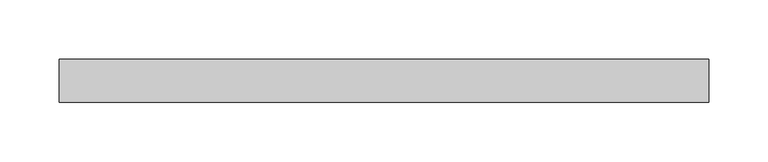
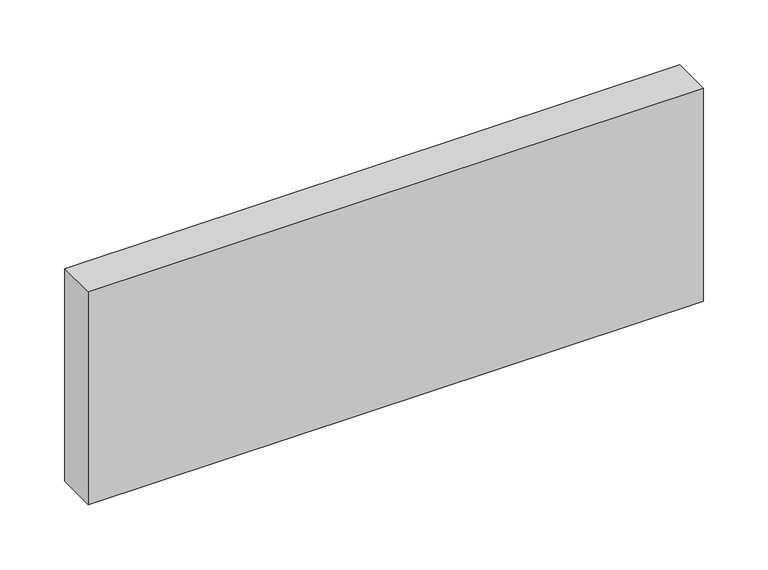
"""IFC4 building model written with IfcOpenShell, lengths in millimetres: beam geometry."""

from ifc_helpers import new_model, si_unit, frame, origin, place, context, project, spatial, polyline, outline, extrude, source, transform, mapped, element, save


def beam_da5a735c(model_context):
    return source(origin(), model_context, "Body", "SweptSolid", [
        extrude(outline(polyline([(273.0, -18.0), (-273.0, -18.0), (-273.0, 18.0), (273.0, 18.0), (273.0, -18.0)])), frame((0.0, 0.0, -100.0), z_axis=(0.0, 0.0, 1.0), x_axis=(1.0, 0.0, 0.0)), (0.0, 0.0, 1.0), 200.0),
    ])


if __name__ == "__main__":
    model = new_model("IFC4")
    model_context = context("Model", 3, world=origin())
    ifc_project = project(units=[si_unit("LENGTHUNIT", "METRE", prefix="MILLI")], contexts=[model_context])
    site = spatial("IfcSite", under=ifc_project)
    building = spatial("IfcBuilding", under=site)
    placement = place(None, origin())
    beam_shape = beam_da5a735c(model_context)
    element("IfcBeam", 1, at=placement, inside=building, context=model_context, shape_type="MappedRepresentation", body=[
        mapped(beam_shape, transform((0.0, 0.0, 0.0), x_axis=(1.0, 0.0, 0.0), y_axis=(0.0, 1.0, 0.0), z_axis=(0.0, 0.0, 1.0))),
    ])
    save(model, "model.ifc")
